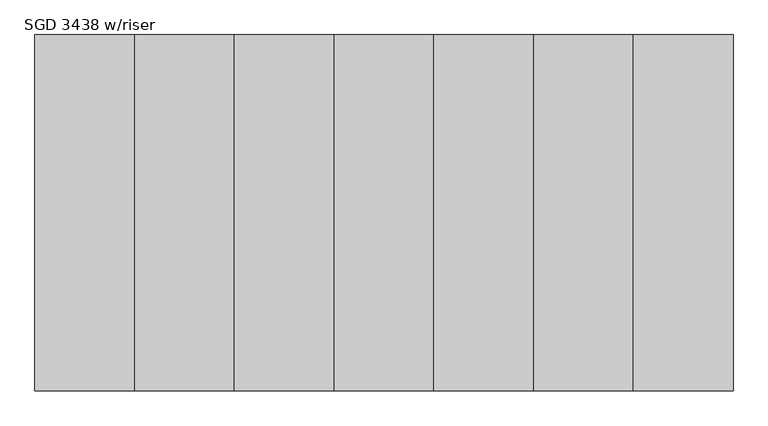
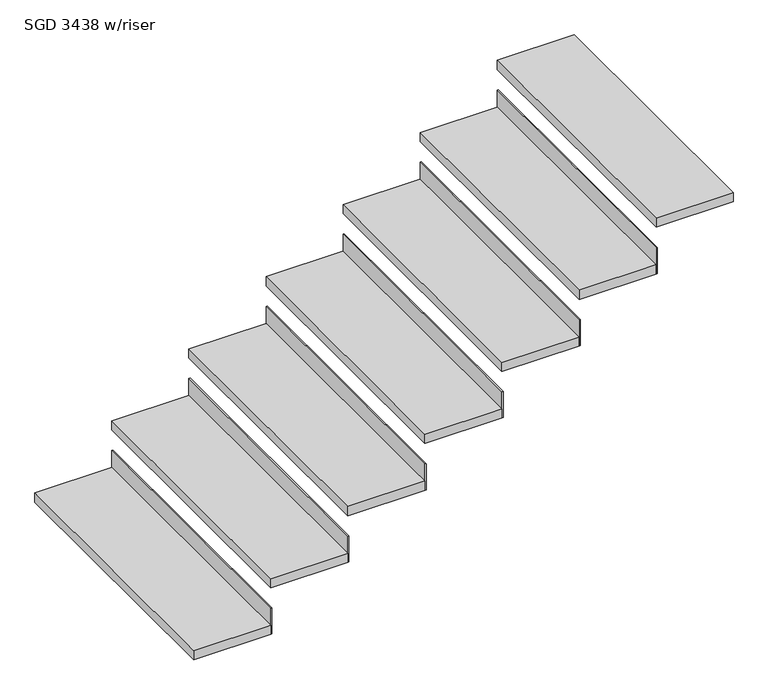
"""IFC4 building model written with IfcOpenShell, lengths in millimetres: stair flight geometry, SGD 3438 w/riser."""

from ifc_helpers import new_model, si_unit, frame, origin, place, context, project, spatial, polyline, outline, extrude, source, transform, mapped, element, save


def sgd_3438_w_riser_46fe0e1b(model_context):
    return source(origin(), model_context, "Body", "SweptSolid", [
        extrude(outline(polyline([(1774.5692102, 340.9233624), (1774.5692102, -659.0766376), (1494.5692102, -659.0766376), (1494.5692102, 340.9233624), (1774.5692102, 340.9233624)])), frame((0.0, 0.0, -3714.8453617), z_axis=(0.0, 0.0, 1.0), x_axis=(1.0, 0.0, 0.0)), (0.0, 0.0, 1.0), 35.0),
        extrude(outline(polyline([(1778.5692102, -659.0766376), (1774.5692102, -659.0766376), (1774.5692102, 340.9233624), (1778.5692102, 340.9233624), (1778.5692102, -659.0766376)])), frame((0.0, 0.0, -3714.5512441), z_axis=(0.0, 0.0, 1.0), x_axis=(1.0, 0.0, 0.0)), (0.0, 0.0, 1.0), 100.0),
        extrude(outline(polyline([(2054.5692102, 340.9233624), (2054.5692102, -659.0766376), (1774.5692102, -659.0766376), (1774.5692102, 340.9233624), (2054.5692102, 340.9233624)])), frame((0.0, 0.0, -3535.5512441), z_axis=(0.0, 0.0, 1.0), x_axis=(1.0, 0.0, 0.0)), (0.0, 0.0, 1.0), 35.0),
        extrude(outline(polyline([(2058.5692102, -659.0766376), (2054.5692102, -659.0766376), (2054.5692102, 340.9233624), (2058.5692102, 340.9233624), (2058.5692102, -659.0766376)])), frame((0.0, 0.0, -3535.2571264), z_axis=(0.0, 0.0, 1.0), x_axis=(1.0, 0.0, 0.0)), (0.0, 0.0, 1.0), 100.0),
        extrude(outline(polyline([(2334.5692102, 340.9233624), (2334.5692102, -659.0766376), (2054.5692102, -659.0766376), (2054.5692102, 340.9233624), (2334.5692102, 340.9233624)])), frame((0.0, 0.0, -3356.2571264), z_axis=(0.0, 0.0, 1.0), x_axis=(1.0, 0.0, 0.0)), (0.0, 0.0, 1.0), 35.0),
        extrude(outline(polyline([(2338.5692102, -659.0766376), (2334.5692102, -659.0766376), (2334.5692102, 340.9233624), (2338.5692102, 340.9233624), (2338.5692102, -659.0766376)])), frame((0.0, 0.0, -3355.9630088), z_axis=(0.0, 0.0, 1.0), x_axis=(1.0, 0.0, 0.0)), (0.0, 0.0, 1.0), 100.0),
        extrude(outline(polyline([(2614.5692102, 340.9233624), (2614.5692102, -659.0766376), (2334.5692102, -659.0766376), (2334.5692102, 340.9233624), (2614.5692102, 340.9233624)])), frame((0.0, 0.0, -3176.9630088), z_axis=(0.0, 0.0, 1.0), x_axis=(1.0, 0.0, 0.0)), (0.0, 0.0, 1.0), 35.0),
        extrude(outline(polyline([(2618.5692102, -659.0766376), (2614.5692102, -659.0766376), (2614.5692102, 340.9233624), (2618.5692102, 340.9233624), (2618.5692102, -659.0766376)])), frame((0.0, 0.0, -3176.6688911), z_axis=(0.0, 0.0, 1.0), x_axis=(1.0, 0.0, 0.0)), (0.0, 0.0, 1.0), 100.0),
        extrude(outline(polyline([(2894.5692102, 340.9233624), (2894.5692102, -659.0766376), (2614.5692102, -659.0766376), (2614.5692102, 340.9233624), (2894.5692102, 340.9233624)])), frame((0.0, 0.0, -2997.6688911), z_axis=(0.0, 0.0, 1.0), x_axis=(1.0, 0.0, 0.0)), (0.0, 0.0, 1.0), 35.0),
        extrude(outline(polyline([(2898.5692102, -659.0766376), (2894.5692102, -659.0766376), (2894.5692102, 340.9233624), (2898.5692102, 340.9233624), (2898.5692102, -659.0766376)])), frame((0.0, 0.0, -2997.3747735), z_axis=(0.0, 0.0, 1.0), x_axis=(1.0, 0.0, 0.0)), (0.0, 0.0, 1.0), 100.0),
        extrude(outline(polyline([(3174.5692102, 340.9233624), (3174.5692102, -659.0766376), (2894.5692102, -659.0766376), (2894.5692102, 340.9233624), (3174.5692102, 340.9233624)])), frame((0.0, 0.0, -2818.3747735), z_axis=(0.0, 0.0, 1.0), x_axis=(1.0, 0.0, 0.0)), (0.0, 0.0, 1.0), 35.0),
        extrude(outline(polyline([(3178.5692102, -659.0766376), (3174.5692102, -659.0766376), (3174.5692102, 340.9233624), (3178.5692102, 340.9233624), (3178.5692102, -659.0766376)])), frame((0.0, 0.0, -2818.0806558), z_axis=(0.0, 0.0, 1.0), x_axis=(1.0, 0.0, 0.0)), (0.0, 0.0, 1.0), 100.0),
        extrude(outline(polyline([(3454.5692102, 340.9233624), (3454.5692102, -659.0766376), (3174.5692102, -659.0766376), (3174.5692102, 340.9233624), (3454.5692102, 340.9233624)])), frame((0.0, 0.0, -2639.0806558), z_axis=(0.0, 0.0, 1.0), x_axis=(1.0, 0.0, 0.0)), (0.0, 0.0, 1.0), 35.0),
    ])


if __name__ == "__main__":
    model = new_model("IFC4")
    model_context = context("Model", 3, world=origin())
    ifc_project = project(units=[si_unit("LENGTHUNIT", "METRE", prefix="MILLI")], contexts=[model_context])
    site = spatial("IfcSite", under=ifc_project)
    building = spatial("IfcBuilding", under=site)
    placement = place(None, origin())
    sgd_3438_w_riser_shape = sgd_3438_w_riser_46fe0e1b(model_context)
    element("IfcStairFlight", 1, ObjectType="SGD 3438 w/riser", at=placement, inside=building, context=model_context, shape_type="MappedRepresentation", body=[
        mapped(sgd_3438_w_riser_shape, transform((0.0, 0.0, 0.0), x_axis=(1.0, 0.0, 0.0), y_axis=(0.0, 1.0, 0.0), z_axis=(0.0, 0.0, 1.0))),
    ])
    save(model, "model.ifc")
